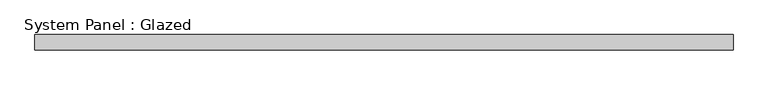
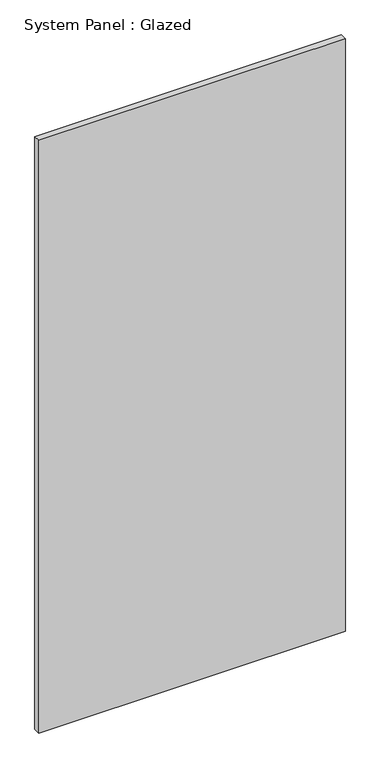
"""IFC4 building model written with IfcOpenShell, lengths in millimetres: plate geometry, System Panel : Glazed."""

from ifc_helpers import new_model, si_unit, origin, origin_with_axes, place, context, project, spatial, polyline, outline, extrude, source, transform, mapped, element, save


def system_panel_glazed_bb83c2c9(model_context):
    return source(origin(), model_context, "Body", "SweptSolid", [
        extrude(outline(polyline([(578.6369122, -12.7), (-578.6369122, -12.7), (-578.6369122, 12.7), (578.6369122, 12.7), (578.6369122, -12.7)])), origin_with_axes(), (0.0, 0.0, 1.0), 2363.8117345),
    ])


if __name__ == "__main__":
    model = new_model("IFC4")
    model_context = context("Model", 3, world=origin())
    ifc_project = project(units=[si_unit("LENGTHUNIT", "METRE", prefix="MILLI")], contexts=[model_context])
    site = spatial("IfcSite", under=ifc_project)
    building = spatial("IfcBuilding", under=site)
    placement = place(None, origin())
    system_panel_glazed_shape = system_panel_glazed_bb83c2c9(model_context)
    element("IfcPlate", 1, ObjectType="System Panel : Glazed", at=placement, inside=building, context=model_context, shape_type="MappedRepresentation", body=[
        mapped(system_panel_glazed_shape, transform((0.0, 0.0, 0.0), x_axis=(1.0, 0.0, 0.0), y_axis=(0.0, 1.0, 0.0), z_axis=(0.0, 0.0, 1.0))),
    ])
    save(model, "model.ifc")
